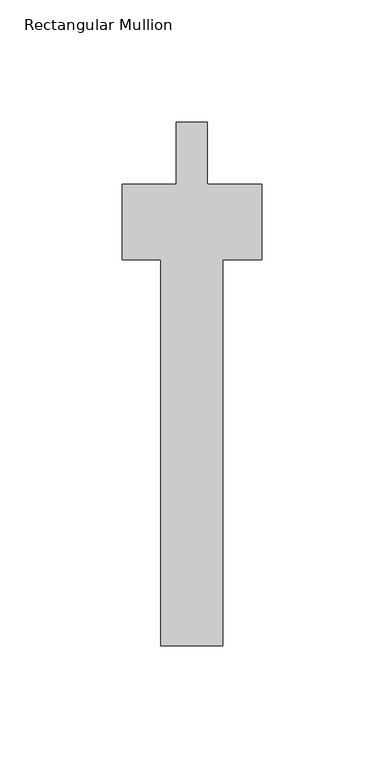
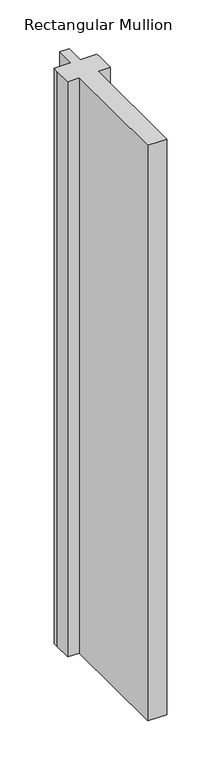
"""IFC4 building model written with IfcOpenShell, lengths in millimetres: member geometry, Rectangular Mullion."""

from ifc_helpers import new_model, si_unit, frame, origin, place, context, project, spatial, polyline, outline, extrude, source, transform, mapped, element, save


def rectangular_mullion_e5316767(model_context):
    return source(origin(), model_context, "Body", "SweptSolid", [
        extrude(outline(polyline([(-6.35, 0.0), (6.35, 0.0), (6.35, -25.4), (28.575, -25.4), (28.575, -31.7499999), (28.575, -56.388), (12.7, -56.388), (12.7, -214.376), (-12.7, -214.376), (-12.7, -56.388), (-28.575, -56.388), (-28.575, -31.7499999), (-28.575, -25.4), (-6.35, -25.4), (-6.35, 0.0)])), frame((0.0, 0.0, -812.8), z_axis=(0.0, 0.0, 1.0), x_axis=(1.0, 0.0, 0.0)), (0.0, 0.0, 1.0), 812.8),
    ])


if __name__ == "__main__":
    model = new_model("IFC4")
    model_context = context("Model", 3, world=origin())
    ifc_project = project(units=[si_unit("LENGTHUNIT", "METRE", prefix="MILLI")], contexts=[model_context])
    site = spatial("IfcSite", under=ifc_project)
    building = spatial("IfcBuilding", under=site)
    placement = place(None, origin())
    rectangular_mullion_shape = rectangular_mullion_e5316767(model_context)
    element("IfcMember", 1, ObjectType="Rectangular Mullion", at=placement, inside=building, context=model_context, shape_type="MappedRepresentation", body=[
        mapped(rectangular_mullion_shape, transform((0.0, 0.0, 0.0), x_axis=(1.0, 0.0, 0.0), y_axis=(0.0, 1.0, 0.0), z_axis=(0.0, 0.0, 1.0))),
    ])
    save(model, "model.ifc")
